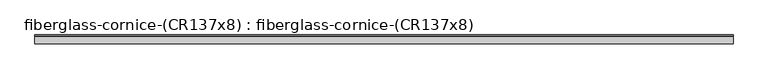
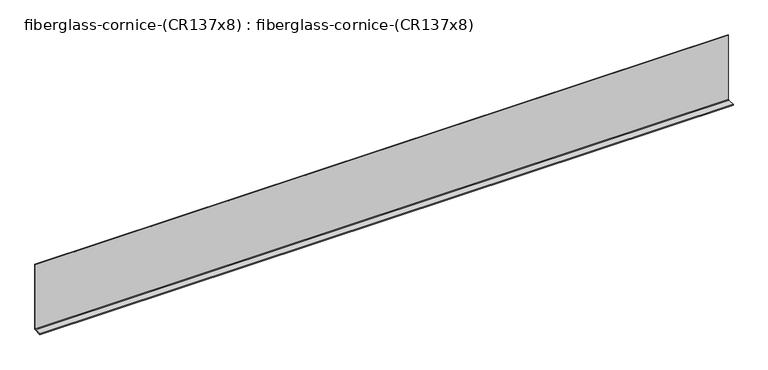
"""IFC4 building model written with IfcOpenShell, lengths in millimetres: furniture geometry, fiberglass-cornice-(CR137x8) : fiberglass-cornice-(CR137x8)."""

from ifc_helpers import new_model, si_unit, point, frame, frame_2d, origin, place, context, project, spatial, polyline, circle_curve, trimmed, segment, composite_curve, outline, extrude, source, transform, mapped, element, save


def fiberglass_cornice_cr137x8_fiberglass_cornice_cr137x8_3e2d4d49(model_context):
    return source(origin(), model_context, "Body", "SweptSolid", [
        extrude(outline(composite_curve([segment(polyline([(152.4, 330.1999904), (152.4, -66.6750096)]), True, "CONTINUOUS"), segment(trimmed(circle_curve(frame_2d((149.225, -66.6750096)), 3.175), [point((152.4, -66.6750096))], [point((149.225, -69.8500096))], False, "CARTESIAN"), True, "CONTINUOUS"), segment(polyline([(149.225, -69.8500096), (101.6, -69.8500096), (101.6, -65.7225096), (144.4625, -65.7225096)]), True, "CONTINUOUS"), segment(trimmed(circle_curve(frame_2d((144.4625, -61.9125096)), 3.81), [point((144.4625, -65.7225096))], [point((148.2725, -61.9125096))], True, "CARTESIAN"), True, "CONTINUOUS"), segment(polyline([(148.2725, -61.9125096), (148.2725, 330.1999904), (152.4, 330.1999904)]), True, "CONTINUOUS")], self_intersect=False)), frame((-2012.9498044, 0.0, 0.0), z_axis=(1.0, 0.0, 0.0), x_axis=(0.0, 1.0, 0.0)), (0.0, 0.0, 1.0), 4025.8996087),
    ])


if __name__ == "__main__":
    model = new_model("IFC4")
    model_context = context("Model", 3, world=origin())
    ifc_project = project(units=[si_unit("LENGTHUNIT", "METRE", prefix="MILLI")], contexts=[model_context])
    site = spatial("IfcSite", under=ifc_project)
    building = spatial("IfcBuilding", under=site)
    placement = place(None, origin())
    fiberglass_cornice_cr137x8_fiberglass_cornice_cr137x8_shape = fiberglass_cornice_cr137x8_fiberglass_cornice_cr137x8_3e2d4d49(model_context)
    element("IfcFurniture", 1, ObjectType="fiberglass-cornice-(CR137x8) : fiberglass-cornice-(CR137x8)", at=placement, inside=building, context=model_context, shape_type="MappedRepresentation", body=[
        mapped(fiberglass_cornice_cr137x8_fiberglass_cornice_cr137x8_shape, transform((0.0, 0.0, 0.0), x_axis=(1.0, 0.0, 0.0), y_axis=(0.0, 1.0, 0.0), z_axis=(0.0, 0.0, 1.0))),
    ])
    save(model, "model.ifc")
